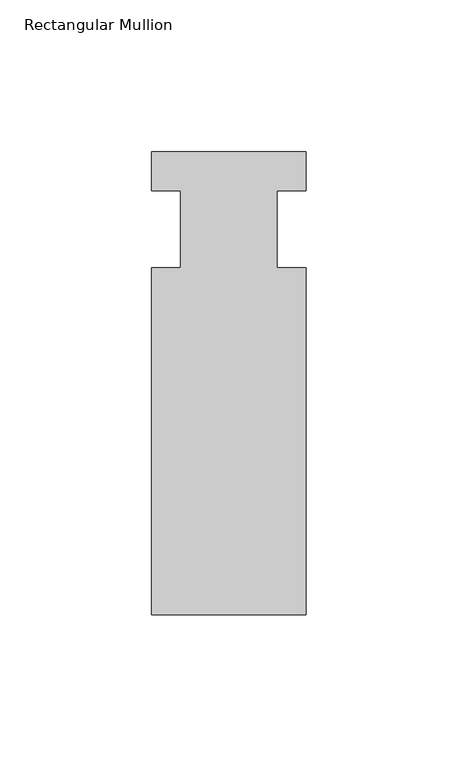
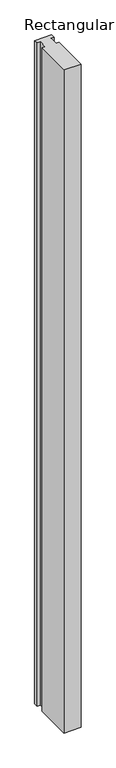
"""IFC4 building model written with IfcOpenShell, lengths in millimetres: member geometry, Rectangular Mullion."""

from ifc_helpers import new_model, si_unit, frame, origin, place, context, project, spatial, polyline, outline, extrude, source, transform, mapped, element, save


def rectangular_mullion_92a7c1fa(model_context):
    return source(origin(), model_context, "Body", "SweptSolid", [
        extrude(outline(polyline([(25.4, -139.7), (-25.4, -139.7), (-25.4, -25.4), (-15.875, -25.4), (-15.875, 0.0), (-25.4, 0.0), (-25.4, 12.7), (25.4, 12.7), (25.4, 0.0), (15.875, 0.0), (15.875, -25.4), (25.4, -25.4), (25.4, -139.7)])), frame((0.0, 0.0, -2101.85), z_axis=(0.0, 0.0, 1.0), x_axis=(1.0, 0.0, 0.0)), (0.0, 0.0, 1.0), 2101.85),
    ])


if __name__ == "__main__":
    model = new_model("IFC4")
    model_context = context("Model", 3, world=origin())
    ifc_project = project(units=[si_unit("LENGTHUNIT", "METRE", prefix="MILLI")], contexts=[model_context])
    site = spatial("IfcSite", under=ifc_project)
    building = spatial("IfcBuilding", under=site)
    placement = place(None, origin())
    rectangular_mullion_shape = rectangular_mullion_92a7c1fa(model_context)
    element("IfcMember", 1, ObjectType="Rectangular Mullion", at=placement, inside=building, context=model_context, shape_type="MappedRepresentation", body=[
        mapped(rectangular_mullion_shape, transform((0.0, 0.0, 0.0), x_axis=(1.0, 0.0, 0.0), y_axis=(0.0, 1.0, 0.0), z_axis=(0.0, 0.0, 1.0))),
    ])
    save(model, "model.ifc")
